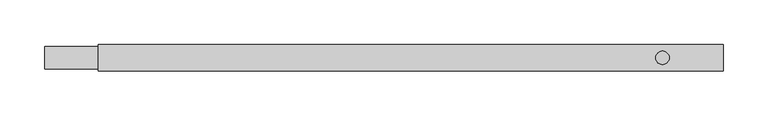
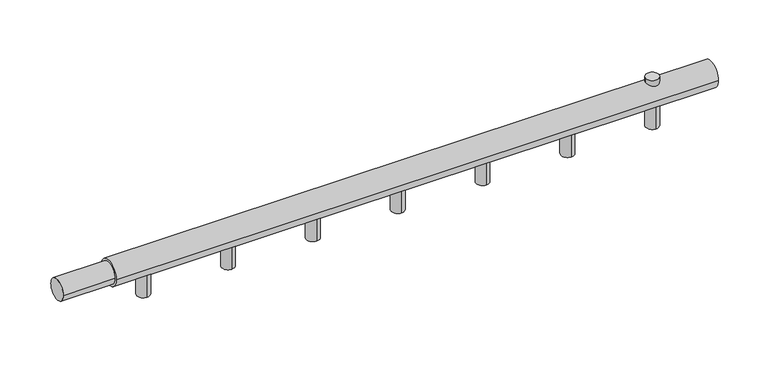
"""IFC4 building model written with IfcOpenShell, lengths in millimetres: proxy geometry."""

import ifcopenshell
import ifcopenshell.guid

model = None  # the IFC model being written
_history = None  # IfcOwnerHistory: only IFC2X3 demands one
_inside = {}  # id of a spatial element -> (the spatial element, [elements in it])
_under = {}  # id of a project, library or spatial element -> (it, [spatial elements below it])
_declared = {}  # id of a project -> (the project, [libraries it declares])
_typed = {}  # id of a type object -> (the type object, [elements of that type])
_made_of = {}  # id of a material, layer set ... -> (it, [elements and type objects made of it])


def new_model(schema):
    """Start an empty IFC model of exactly this schema.

    Asked for "IFC4X3", IfcOpenShell would pick the latest addendum, in which some entities
    have other attributes; the version numbers below select the first issue.
    IFC2X3 requires an IfcOwnerHistory on every rooted entity: one is made here for all.
    """
    global model, _history
    if schema == "IFC4X3":
        model = ifcopenshell.file(schema_version=(4, 3, 0, 0))
    else:
        model = ifcopenshell.file(schema=schema)
    _inside.clear()
    _under.clear()
    _declared.clear()
    _typed.clear()
    _made_of.clear()
    _history = None
    if model.schema == "IFC2X3":
        org = make("IfcOrganization", Name="unknown")
        user = make(
            "IfcPersonAndOrganization",
            ThePerson=make("IfcPerson", FamilyName="unknown"),
            TheOrganization=org,
        )
        app = make(
            "IfcApplication",
            ApplicationDeveloper=org,
            Version="unknown",
            ApplicationFullName="unknown",
            ApplicationIdentifier="unknown",
        )
        _history = make(
            "IfcOwnerHistory",
            OwningUser=user,
            OwningApplication=app,
            ChangeAction="ADDED",
            CreationDate=0,
        )
    return model


def make(cls, **values):
    """One entity of the class cls with the attributes given. An attribute that is None is left unset."""
    return model.create_entity(
        cls, **{name: value for name, value in values.items() if value is not None}
    )


def rooted(cls, **values):
    """An entity with a GlobalId (a new one), such as an element, a storey or a relation."""
    return make(cls, GlobalId=ifcopenshell.guid.new(), OwnerHistory=_history, **values)


def si_unit(unit_type, name, prefix=None):
    """IfcSIUnit, for example si_unit("LENGTHUNIT", "METRE", prefix="MILLI")."""
    return make("IfcSIUnit", UnitType=unit_type, Prefix=prefix, Name=name)


def assignment(units):
    """IfcUnitAssignment: the units of a project."""
    return None if units is None else make("IfcUnitAssignment", Units=units)


def point(xyz):
    """IfcCartesianPoint."""
    return None if xyz is None else make("IfcCartesianPoint", Coordinates=xyz)


def direction(xyz):
    """IfcDirection."""
    return None if xyz is None else make("IfcDirection", DirectionRatios=xyz)


def frame(location, z_axis=None, x_axis=None):
    """IfcAxis2Placement3D, a coordinate frame: its origin and axes. An axis left out is left unset."""
    return make(
        "IfcAxis2Placement3D",
        Location=point(location),
        Axis=direction(z_axis),
        RefDirection=direction(x_axis),
    )


def frame_2d(location, x_axis=None):
    """IfcAxis2Placement2D, a coordinate frame in the plane: its origin and x axis."""
    return make(
        "IfcAxis2Placement2D", Location=point(location), RefDirection=direction(x_axis)
    )


def origin():
    """The frame at (0, 0, 0) with its axes left unset."""
    return frame((0.0, 0.0, 0.0))


def origin_with_axes():
    """The frame at (0, 0, 0) with the z axis (0, 0, 1) and the x axis (1, 0, 0) written out."""
    return frame((0.0, 0.0, 0.0), z_axis=(0.0, 0.0, 1.0), x_axis=(1.0, 0.0, 0.0))


def origin_2d():
    """The frame at (0, 0) in the plane with its x axis left unset."""
    return frame_2d((0.0, 0.0))


def place(relative_to, where):
    """IfcLocalPlacement: puts the frame where relative to a parent placement (None: the world)."""
    return make(
        "IfcLocalPlacement", PlacementRelTo=relative_to, RelativePlacement=where
    )


def context(
    kind, dimensions, precision=None, world=None, true_north=None, identifier=None
):
    """IfcGeometricRepresentationContext, for example the 3D "Model" context."""
    return make(
        "IfcGeometricRepresentationContext",
        ContextIdentifier=identifier,
        ContextType=kind,
        CoordinateSpaceDimension=dimensions,
        Precision=precision,
        WorldCoordinateSystem=world,
        TrueNorth=true_north,
    )


def project(units=None, contexts=None):
    """IfcProject with its units and contexts."""
    return rooted(
        "IfcProject",
        Name="project",
        RepresentationContexts=contexts,
        UnitsInContext=assignment(units),
    )


def spatial(cls, under=None, at=None, **own):
    """A site, building, storey or space (cls), placed at a placement, below another one or the project."""
    s = rooted(cls, ObjectPlacement=at, **own)
    if under is not None:
        _under.setdefault(under.id(), (under, []))[1].append(s)
    return s


def circle_curve(where, radius):
    """IfcCircle in the frame where."""
    return make("IfcCircle", Position=where, Radius=radius)


def trimmed(basis, trim1, trim2, sense, master):
    """IfcTrimmedCurve: the piece of a basis curve between two trims."""
    return make(
        "IfcTrimmedCurve",
        BasisCurve=basis,
        Trim1=trim1,
        Trim2=trim2,
        SenseAgreement=sense,
        MasterRepresentation=master,
    )


def segment(curve, same_sense, transition):
    """IfcCompositeCurveSegment."""
    return make(
        "IfcCompositeCurveSegment",
        Transition=transition,
        SameSense=same_sense,
        ParentCurve=curve,
    )


def composite_curve(segments, self_intersect=None):
    """IfcCompositeCurve: segments joined end to end."""
    return make("IfcCompositeCurve", Segments=segments, SelfIntersect=self_intersect)


def outline(outer, holes=None, kind="AREA"):
    """IfcArbitraryClosedProfileDef: a profile drawn as a closed curve; with holes, ...WithVoids."""
    if holes is None:
        return make("IfcArbitraryClosedProfileDef", ProfileType=kind, OuterCurve=outer)
    return make(
        "IfcArbitraryProfileDefWithVoids",
        ProfileType=kind,
        OuterCurve=outer,
        InnerCurves=holes,
    )


def extrude(swept, where, along, depth):
    """IfcExtrudedAreaSolid: the profile swept, set in the frame where, extruded along a direction by depth."""
    return make(
        "IfcExtrudedAreaSolid",
        SweptArea=swept,
        Position=where,
        ExtrudedDirection=direction(along),
        Depth=depth,
    )


def shape(context_of_items, identifier, shape_type, items):
    """IfcShapeRepresentation: the items that make up one representation, for example the "Body"."""
    return make(
        "IfcShapeRepresentation",
        ContextOfItems=context_of_items,
        RepresentationIdentifier=identifier,
        RepresentationType=shape_type,
        Items=items,
    )


def source(mapping_origin, context_of_items, identifier, shape_type, items):
    """IfcRepresentationMap: a shape defined once, which mapped items show again and again."""
    return make(
        "IfcRepresentationMap",
        MappingOrigin=mapping_origin,
        MappedRepresentation=shape(context_of_items, identifier, shape_type, items),
    )


def transform(
    local_origin,
    x_axis=None,
    y_axis=None,
    z_axis=None,
    scale=None,
    scale2=None,
    scale3=None,
    uniform=True,
):
    """IfcCartesianTransformationOperator3D, or its non-uniform kind. x_axis, y_axis, z_axis: its Axis1, 2, 3."""
    if uniform:
        return make(
            "IfcCartesianTransformationOperator3D",
            Axis1=direction(x_axis),
            Axis2=direction(y_axis),
            LocalOrigin=point(local_origin),
            Scale=scale,
            Axis3=direction(z_axis),
        )
    return make(
        "IfcCartesianTransformationOperator3DnonUniform",
        Axis1=direction(x_axis),
        Axis2=direction(y_axis),
        LocalOrigin=point(local_origin),
        Scale=scale,
        Axis3=direction(z_axis),
        Scale2=scale2,
        Scale3=scale3,
    )


def mapped(mapping_source, mapping_target):
    """IfcMappedItem: shows the shape of a source again, moved by a transform."""
    return make(
        "IfcMappedItem", MappingSource=mapping_source, MappingTarget=mapping_target
    )


def made_of(thing, what):
    """Note that an element or type object is made of a material, layer set ...; save() writes the relation."""
    if what is not None:
        _made_of.setdefault(what.id(), (what, []))[1].append(thing)
    return thing


def element(
    cls,
    number,
    at=None,
    inside=None,
    cuts=None,
    type_object=None,
    material=None,
    context=None,
    identifier="Body",
    shape_type=None,
    held_by="IfcProductDefinitionShape",
    body=None,
    shapes=None,
    **own,
):
    """One element of the class cls, such as IfcWall. Its Tag is "e" and its number.

    at: its placement. inside: the storey or other place that contains it. cuts: it is an
    opening in that element (IfcRelVoidsElement). A single representation is given by context,
    identifier, shape_type and body (its items); several are given by shapes. held_by: the class
    of the entity that holds the representations. save() writes the other relations.
    """
    e = rooted(cls, Tag="e%d" % number, ObjectPlacement=at, **own)
    if body is not None:
        shapes = [shape(context, identifier, shape_type, body)]
    if shapes is not None:
        e.Representation = make(held_by, Representations=shapes)
    if inside is not None:
        _inside.setdefault(inside.id(), (inside, []))[1].append(e)
    if cuts is not None:
        rooted(
            "IfcRelVoidsElement", RelatingBuildingElement=cuts, RelatedOpeningElement=e
        )
    if type_object is not None:
        _typed.setdefault(type_object.id(), (type_object, []))[1].append(e)
    return made_of(e, material)


def aggregate(whole, parts):
    """IfcRelAggregates: a whole, such as a stair, and the parts it consists of."""
    return rooted("IfcRelAggregates", RelatingObject=whole, RelatedObjects=parts)


def save(model, path):
    """Write the relations noted so far, then the file.

    IfcRelAggregates (storeys below a building ...), IfcRelContainedInSpatialStructure (elements
    in a storey), IfcRelDefinesByType, IfcRelAssociatesMaterial and IfcRelDeclares: one each for
    every whole, place, type object, material and project.
    """
    for whole, parts in _under.values():
        aggregate(whole, parts)
    for where, things in _inside.values():
        rooted(
            "IfcRelContainedInSpatialStructure",
            RelatedElements=things,
            RelatingStructure=where,
        )
    for kind, things in _typed.values():
        rooted("IfcRelDefinesByType", RelatedObjects=things, RelatingType=kind)
    for what, things in _made_of.values():
        rooted("IfcRelAssociatesMaterial", RelatedObjects=things, RelatingMaterial=what)
    for by, libraries in _declared.values():
        rooted("IfcRelDeclares", RelatingContext=by, RelatedDefinitions=libraries)
    model.write(path)


def mechanical_equipment_43adfbbf(model_context):
    return source(origin(), model_context, "Body", "SweptSolid", [
        extrude(outline(composite_curve([segment(trimmed(circle_curve(frame_2d((691.8181818, 0.0)), 7.5), [point((684.3181818, 0.0))], [point((699.3181818, 0.0))], False, "CARTESIAN"), True, "CONTINUOUS"), segment(trimmed(circle_curve(frame_2d((691.8181818, 0.0)), 7.5), [point((699.3181818, 0.0))], [point((684.3181818, 0.0))], False, "CARTESIAN"), True, "CONTINUOUS")], self_intersect=False)), origin_with_axes(), (0.0, 0.0, 1.0), 20.0),
        extrude(outline(composite_curve([segment(trimmed(circle_curve(origin_2d(), 12.5), [point((-12.5, 0.0))], [point((12.5, 0.0))], False, "CARTESIAN"), True, "CONTINUOUS"), segment(trimmed(circle_curve(origin_2d(), 12.5), [point((12.5, 0.0))], [point((-12.5, 0.0))], False, "CARTESIAN"), True, "CONTINUOUS")], self_intersect=False)), frame((0.0, 0.0, 0.0), z_axis=(1.0, 0.0, 0.0), x_axis=(0.0, 1.0, 0.0)), (0.0, 0.0, 1.0), 60.0),
        extrude(outline(composite_curve([segment(trimmed(circle_curve(origin_2d(), 15.0), [point((-15.0, 0.0))], [point((15.0, 0.0))], False, "CARTESIAN"), True, "CONTINUOUS"), segment(trimmed(circle_curve(origin_2d(), 15.0), [point((15.0, 0.0))], [point((-15.0, 0.0))], False, "CARTESIAN"), True, "CONTINUOUS")], self_intersect=False)), frame((60.0, 0.0, 0.0), z_axis=(1.0, 0.0, 0.0), x_axis=(0.0, 1.0, 0.0)), (0.0, 0.0, 1.0), 700.0),
        extrude(outline(composite_curve([segment(trimmed(circle_curve(frame_2d((691.8181818, 0.0)), 7.5), [point((691.8181818, 7.5))], [point((691.8181818, -7.5))], False, "CARTESIAN"), True, "CONTINUOUS"), segment(trimmed(circle_curve(frame_2d((691.8181818, 0.0)), 7.5), [point((691.8181818, -7.5))], [point((691.8181818, 7.5))], False, "CARTESIAN"), True, "CONTINUOUS")], self_intersect=False)), frame((0.0, 0.0, -40.0), z_axis=(0.0, 0.0, 1.0), x_axis=(1.0, 0.0, 0.0)), (0.0, 0.0, 1.0), 40.0),
        extrude(outline(composite_curve([segment(trimmed(circle_curve(frame_2d((593.1818182, 0.0)), 7.5), [point((593.1818182, 7.5))], [point((593.1818182, -7.5))], False, "CARTESIAN"), True, "CONTINUOUS"), segment(trimmed(circle_curve(frame_2d((593.1818182, 0.0)), 7.5), [point((593.1818182, -7.5))], [point((593.1818182, 7.5))], False, "CARTESIAN"), True, "CONTINUOUS")], self_intersect=False)), frame((0.0, 0.0, -40.0), z_axis=(0.0, 0.0, 1.0), x_axis=(1.0, 0.0, 0.0)), (0.0, 0.0, 1.0), 40.0),
        extrude(outline(composite_curve([segment(trimmed(circle_curve(frame_2d((494.5454545, 0.0)), 7.5), [point((494.5454545, 7.5))], [point((494.5454545, -7.5))], False, "CARTESIAN"), True, "CONTINUOUS"), segment(trimmed(circle_curve(frame_2d((494.5454545, 0.0)), 7.5), [point((494.5454545, -7.5))], [point((494.5454545, 7.5))], False, "CARTESIAN"), True, "CONTINUOUS")], self_intersect=False)), frame((0.0, 0.0, -40.0), z_axis=(0.0, 0.0, 1.0), x_axis=(1.0, 0.0, 0.0)), (0.0, 0.0, 1.0), 40.0),
        extrude(outline(composite_curve([segment(trimmed(circle_curve(frame_2d((395.9090909, 0.0)), 7.5), [point((395.9090909, 7.5))], [point((395.9090909, -7.5))], False, "CARTESIAN"), True, "CONTINUOUS"), segment(trimmed(circle_curve(frame_2d((395.9090909, 0.0)), 7.5), [point((395.9090909, -7.5))], [point((395.9090909, 7.5))], False, "CARTESIAN"), True, "CONTINUOUS")], self_intersect=False)), frame((0.0, 0.0, -40.0), z_axis=(0.0, 0.0, 1.0), x_axis=(1.0, 0.0, 0.0)), (0.0, 0.0, 1.0), 40.0),
        extrude(outline(composite_curve([segment(trimmed(circle_curve(frame_2d((297.2727273, 0.0)), 7.5), [point((297.2727273, 7.5))], [point((297.2727273, -7.5))], False, "CARTESIAN"), True, "CONTINUOUS"), segment(trimmed(circle_curve(frame_2d((297.2727273, 0.0)), 7.5), [point((297.2727273, -7.5))], [point((297.2727273, 7.5))], False, "CARTESIAN"), True, "CONTINUOUS")], self_intersect=False)), frame((0.0, 0.0, -40.0), z_axis=(0.0, 0.0, 1.0), x_axis=(1.0, 0.0, 0.0)), (0.0, 0.0, 1.0), 40.0),
        extrude(outline(composite_curve([segment(trimmed(circle_curve(frame_2d((198.6363636, 0.0)), 7.5), [point((198.6363636, 7.5))], [point((198.6363636, -7.5))], False, "CARTESIAN"), True, "CONTINUOUS"), segment(trimmed(circle_curve(frame_2d((198.6363636, 0.0)), 7.5), [point((198.6363636, -7.5))], [point((198.6363636, 7.5))], False, "CARTESIAN"), True, "CONTINUOUS")], self_intersect=False)), frame((0.0, 0.0, -40.0), z_axis=(0.0, 0.0, 1.0), x_axis=(1.0, 0.0, 0.0)), (0.0, 0.0, 1.0), 40.0),
        extrude(outline(composite_curve([segment(trimmed(circle_curve(frame_2d((100.0, 0.0)), 7.5), [point((100.0, 7.5))], [point((100.0, -7.5))], False, "CARTESIAN"), True, "CONTINUOUS"), segment(trimmed(circle_curve(frame_2d((100.0, 0.0)), 7.5), [point((100.0, -7.5))], [point((100.0, 7.5))], False, "CARTESIAN"), True, "CONTINUOUS")], self_intersect=False)), frame((0.0, 0.0, -40.0), z_axis=(0.0, 0.0, 1.0), x_axis=(1.0, 0.0, 0.0)), (0.0, 0.0, 1.0), 40.0),
    ])


if __name__ == "__main__":
    model = new_model("IFC4")
    model_context = context("Model", 3, world=origin())
    ifc_project = project(units=[si_unit("LENGTHUNIT", "METRE", prefix="MILLI")], contexts=[model_context])
    site = spatial("IfcSite", under=ifc_project)
    building = spatial("IfcBuilding", under=site)
    placement = place(None, origin())
    mechanical_equipment_shape = mechanical_equipment_43adfbbf(model_context)
    element("IfcBuildingElementProxy", 1, Name="Mechanical Equipment", at=placement, inside=building, context=model_context, shape_type="MappedRepresentation", body=[
        mapped(mechanical_equipment_shape, transform((0.0, 0.0, 0.0), x_axis=(1.0, 0.0, 0.0), y_axis=(0.0, 1.0, 0.0), z_axis=(0.0, 0.0, 1.0))),
    ])
    save(model, "model.ifc")
